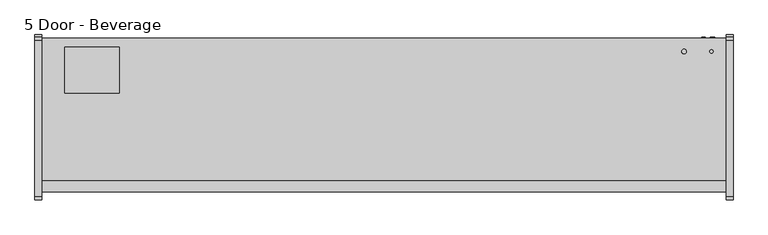
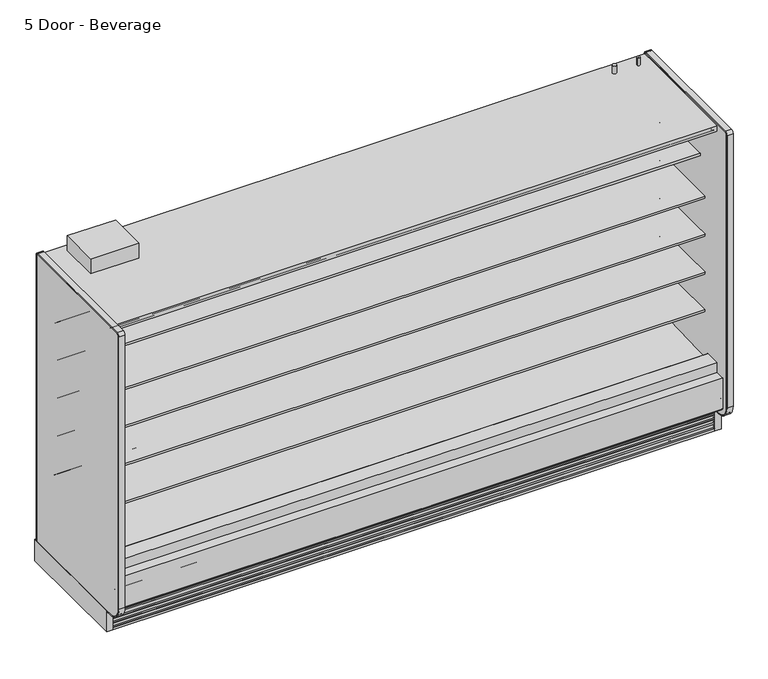
"""IFC4 building model written with IfcOpenShell, lengths in millimetres: proxy geometry, 5 Door - Beverage."""

from ifc_helpers import new_model, si_unit, point, frame, frame_2d, origin, origin_with_axes, place, context, project, spatial, polyline, circle_curve, trimmed, segment, composite_curve, outline, extrude, source, transform, mapped, element, save
from ifc_brep_helpers import plane_surface, revolved_surface, advanced_brep


def proxy_5_door_beverage_fde9d210(model_context):
    return source(origin(), model_context, "Body", "SolidModel", [
        extrude(outline(composite_curve([segment(trimmed(circle_curve(frame_2d((3727.45, -429.4247809)), 9.525), [point((3717.925, -429.4247809))], [point((3736.975, -429.4247809))], False, "CARTESIAN"), True, "CONTINUOUS"), segment(trimmed(circle_curve(frame_2d((3727.45, -429.4247809)), 9.525), [point((3736.975, -429.4247809))], [point((3717.925, -429.4247809))], False, "CARTESIAN"), True, "CONTINUOUS")], self_intersect=False)), frame((0.0, 0.0, 2058.9904091), z_axis=(0.0, 0.0, 1.0), x_axis=(1.0, 0.0, 0.0)), (0.0, 0.0, 1.0), 50.8),
        extrude(outline(composite_curve([segment(trimmed(circle_curve(frame_2d((3575.05, -429.4247809)), 12.7), [point((3562.35, -429.4247809))], [point((3587.75, -429.4247809))], False, "CARTESIAN"), True, "CONTINUOUS"), segment(trimmed(circle_curve(frame_2d((3575.05, -429.4247809)), 12.7), [point((3587.75, -429.4247809))], [point((3562.35, -429.4247809))], False, "CARTESIAN"), True, "CONTINUOUS")], self_intersect=False)), frame((0.0, 0.0, 2058.9904091), z_axis=(0.0, 0.0, 1.0), x_axis=(1.0, 0.0, 0.0)), (0.0, 0.0, 1.0), 50.8),
        extrude(outline(composite_curve([segment(polyline([(-349.0071273, 2056.656972), (-349.0071273, 143.2306), (-355.3571273, 143.2306), (-355.3571273, 2056.656972)]), True, "CONTINUOUS"), segment(trimmed(circle_curve(frame_2d((-365.6251553, 2056.656972)), 10.268028), [point((-355.3571273, 2056.656972))], [point((-365.6251553, 2066.925))], True, "CARTESIAN"), True, "CONTINUOUS"), segment(polyline([(-365.6251553, 2066.925), (-1237.4724391, 2066.925)]), True, "CONTINUOUS"), segment(trimmed(circle_curve(frame_2d((-1237.4724391, 2054.225)), 12.7), [point((-1237.4724391, 2066.925))], [point((-1250.1724391, 2054.225))], True, "CARTESIAN"), True, "CONTINUOUS"), segment(polyline([(-1250.1724391, 2054.225), (-1250.1724391, 232.1306)]), True, "CONTINUOUS"), segment(trimmed(circle_curve(frame_2d((-1161.2724391, 232.1306)), 88.9), [point((-1250.1724391, 232.1306))], [point((-1161.2724391, 143.2306))], True, "CARTESIAN"), True, "CONTINUOUS"), segment(polyline([(-1161.2724391, 143.2306), (-1124.0599223, 143.2306), (-1124.0599223, 136.8806), (-1161.2724391, 136.8806)]), True, "CONTINUOUS"), segment(trimmed(circle_curve(frame_2d((-1161.2724391, 232.1306)), 95.25), [point((-1161.2724391, 136.8806))], [point((-1256.5224391, 232.1306))], False, "CARTESIAN"), True, "CONTINUOUS"), segment(polyline([(-1256.5224391, 232.1306), (-1256.5224391, 2054.225)]), True, "CONTINUOUS"), segment(trimmed(circle_curve(frame_2d((-1237.4724391, 2054.225)), 19.05), [point((-1256.5224391, 2054.225))], [point((-1237.4724391, 2073.275))], False, "CARTESIAN"), True, "CONTINUOUS"), segment(polyline([(-1237.4724391, 2073.275), (-365.6251553, 2073.275)]), True, "CONTINUOUS"), segment(trimmed(circle_curve(frame_2d((-365.6251553, 2056.656972)), 16.618028), [point((-365.6251553, 2073.275))], [point((-349.0071273, 2056.656972))], False, "CARTESIAN"), True, "CONTINUOUS")], self_intersect=False)), frame((3810.0, 0.0, 0.0), z_axis=(1.0, 0.0, 0.0), x_axis=(0.0, 1.0, 0.0)), (0.0, 0.0, 1.0), 38.1),
        extrude(outline(polyline([(3848.1, -336.3071273), (3848.1, -1124.0599223), (3810.0, -1124.0599223), (3810.0, -336.3071273), (3848.1, -336.3071273)])), origin_with_axes(), (0.0, 0.0, 1.0), 143.2306),
        extrude(outline(composite_curve([segment(polyline([(-1250.1724391, 232.1306), (-1250.1724391, 2054.225)]), True, "CONTINUOUS"), segment(trimmed(circle_curve(frame_2d((-1237.4724391, 2054.225)), 12.7), [point((-1250.1724391, 2054.225))], [point((-1237.4724391, 2066.925))], False, "CARTESIAN"), True, "CONTINUOUS"), segment(polyline([(-1237.4724391, 2066.925), (-365.6251553, 2066.925)]), True, "CONTINUOUS"), segment(trimmed(circle_curve(frame_2d((-365.6251553, 2056.656972)), 10.268028), [point((-365.6251553, 2066.925))], [point((-355.3571273, 2056.656972))], False, "CARTESIAN"), True, "CONTINUOUS"), segment(polyline([(-355.3571273, 2056.656972), (-355.3571273, 143.2306), (-1161.2724391, 143.2306)]), True, "CONTINUOUS"), segment(trimmed(circle_curve(frame_2d((-1161.2724391, 232.1306)), 88.9), [point((-1161.2724391, 143.2306))], [point((-1250.1724391, 232.1306))], False, "CARTESIAN"), True, "CONTINUOUS")], self_intersect=False)), frame((3810.0, 0.0, 0.0), z_axis=(1.0, 0.0, 0.0), x_axis=(0.0, 1.0, 0.0)), (0.0, 0.0, 1.0), 38.1),
        extrude(outline(composite_curve([segment(polyline([(-1124.0599223, 136.8806), (-1161.2724391, 136.8806)]), True, "CONTINUOUS"), segment(trimmed(circle_curve(frame_2d((-1161.2724391, 232.1306)), 95.25), [point((-1161.2724391, 136.8806))], [point((-1256.5224391, 232.1306))], False, "CARTESIAN"), True, "CONTINUOUS"), segment(polyline([(-1256.5224391, 232.1306), (-1256.5224391, 2054.225)]), True, "CONTINUOUS"), segment(trimmed(circle_curve(frame_2d((-1237.4724391, 2054.225)), 19.05), [point((-1256.5224391, 2054.225))], [point((-1237.4724391, 2073.275))], False, "CARTESIAN"), True, "CONTINUOUS"), segment(polyline([(-1237.4724391, 2073.275), (-365.6251553, 2073.275)]), True, "CONTINUOUS"), segment(trimmed(circle_curve(frame_2d((-365.6251553, 2056.656972)), 16.618028), [point((-365.6251553, 2073.275))], [point((-349.0071273, 2056.656972))], False, "CARTESIAN"), True, "CONTINUOUS"), segment(polyline([(-349.0071273, 2056.656972), (-349.0071273, 143.2306), (-355.3571273, 143.2306), (-355.3571273, 2056.656972)]), True, "CONTINUOUS"), segment(trimmed(circle_curve(frame_2d((-365.6251553, 2056.656972)), 10.268028), [point((-355.3571273, 2056.656972))], [point((-365.6251553, 2066.925))], True, "CARTESIAN"), True, "CONTINUOUS"), segment(polyline([(-365.6251553, 2066.925), (-1237.4724391, 2066.925)]), True, "CONTINUOUS"), segment(trimmed(circle_curve(frame_2d((-1237.4724391, 2054.225)), 12.7), [point((-1237.4724391, 2066.925))], [point((-1250.1724391, 2054.225))], True, "CARTESIAN"), True, "CONTINUOUS"), segment(polyline([(-1250.1724391, 2054.225), (-1250.1724391, 232.1306)]), True, "CONTINUOUS"), segment(trimmed(circle_curve(frame_2d((-1161.2724391, 232.1306)), 88.9), [point((-1250.1724391, 232.1306))], [point((-1161.2724391, 143.2306))], True, "CARTESIAN"), True, "CONTINUOUS"), segment(polyline([(-1161.2724391, 143.2306), (-1124.0599223, 143.2306), (-1124.0599223, 136.8806)]), True, "CONTINUOUS")], self_intersect=False)), frame((-38.1, 0.0, 0.0), z_axis=(1.0, 0.0, 0.0), x_axis=(0.0, 1.0, 0.0)), (0.0, 0.0, 1.0), 38.1),
        extrude(outline(polyline([(0.0, -336.3071273), (0.0, -1124.0599223), (-38.1, -1124.0599223), (-38.1, -336.3071273), (0.0, -336.3071273)])), origin_with_axes(), (0.0, 0.0, 1.0), 143.2306),
        extrude(outline(composite_curve([segment(polyline([(-1250.1724391, 232.1306), (-1250.1724391, 2054.225)]), True, "CONTINUOUS"), segment(trimmed(circle_curve(frame_2d((-1237.4724391, 2054.225)), 12.7), [point((-1250.1724391, 2054.225))], [point((-1237.4724391, 2066.925))], False, "CARTESIAN"), True, "CONTINUOUS"), segment(polyline([(-1237.4724391, 2066.925), (-365.6251553, 2066.925)]), True, "CONTINUOUS"), segment(trimmed(circle_curve(frame_2d((-365.6251553, 2056.656972)), 10.268028), [point((-365.6251553, 2066.925))], [point((-355.3571273, 2056.656972))], False, "CARTESIAN"), True, "CONTINUOUS"), segment(polyline([(-355.3571273, 2056.656972), (-355.3571273, 143.2306), (-1137.131026, 143.2306), (-1161.2724391, 143.2306)]), True, "CONTINUOUS"), segment(trimmed(circle_curve(frame_2d((-1161.2724391, 232.1306)), 88.9), [point((-1161.2724391, 143.2306))], [point((-1250.1724391, 232.1306))], False, "CARTESIAN"), True, "CONTINUOUS")], self_intersect=False)), frame((-38.1, 0.0, 0.0), z_axis=(1.0, 0.0, 0.0), x_axis=(0.0, 1.0, 0.0)), (0.0, 0.0, 1.0), 38.1),
        extrude(outline(polyline([(0.0, -76.2), (0.0, 0.0), (3810.0, 0.0), (3810.0, -76.2), (0.0, -76.2)])), frame((3810.0, -1079.2958538, 1988.0577862), z_axis=(0.0, 0.09315347017682277, 0.9956517619097633), x_axis=(-1.0, 0.0, 0.0)), (0.0, 0.0, 1.0), 12.7),
        extrude(outline(composite_curve([segment(trimmed(circle_curve(frame_2d((-1205.0506273, 199.8107889)), 6.35), [point((-1201.8764382, 194.3110595))], [point((-1211.4006273, 199.8107889))], False, "CARTESIAN"), True, "CONTINUOUS"), segment(polyline([(-1211.4006273, 199.8107889), (-1211.4006273, 404.6728), (-1147.784197, 404.6728), (-1147.784197, 395.1732), (-1196.1987273, 395.1732), (-1196.1987273, 260.4549459), (-1151.8090876, 223.2076157), (-1201.8764382, 194.3110595)]), True, "CONTINUOUS")], self_intersect=False)), frame((0.0, 0.0, 0.0), z_axis=(1.0, 0.0, 0.0), x_axis=(0.0, 1.0, 0.0)), (0.0, 0.0, 1.0), 3810.0),
        extrude(outline(polyline([(431.8422466, -406.1571273), (431.8422466, -660.1571273), (127.0, -660.1571273), (127.0, -406.1571273), (431.8422466, -406.1571273)])), frame((0.0, 0.0, 2058.9904091), z_axis=(0.0, 0.0, 1.0), x_axis=(1.0, 0.0, 0.0)), (0.0, 0.0, 1.0), 100.0095909),
        advanced_brep(
        [(3810.0, -1124.0599223, 0.0), (3810.0, -1111.0071273, 0.0), (3810.0, -1111.0071273, 189.0201105), (3810.0, -1118.1695038, 194.9418778), (3810.0, -1118.1695038, 167.3928018), (3810.0, -1119.7599344, 165.8023712), (3810.0, -1119.7599344, 146.7523712), (3810.0, -1117.4655682, 147.966845), (3810.0, -1114.0015384, 146.7880867), (3810.0, -1120.0983392, 136.4191003), (3810.0, -1120.6941527, 135.8232868), (3810.0, -1120.6941527, 116.7732868), (3810.0, -1118.3997865, 117.9877605), (3810.0, -1114.9357567, 116.8090023), (3810.0, -1121.0325575, 106.4400158), (3810.0, -1121.628371, 105.8442023), (3810.0, -1121.628371, 86.7942023), (3810.0, -1119.3340048, 88.0086761), (3810.0, -1115.869975, 86.8299178), (3810.0, -1121.9667759, 76.4609313), (3810.0, -1122.5625893, 75.8651179), (3810.0, -1122.5625893, 56.8151179), (3810.0, -1120.2682231, 58.0295916), (3810.0, -1116.8041934, 56.8508334), (3810.0, -1122.9009942, 46.4818469), (3810.0, -1123.4968077, 45.8860334), (3810.0, -1123.4968077, 26.8360334), (3810.0, -1121.2024415, 28.0505071), (3810.0, -1117.7384117, 26.8717489), (3810.0, -1123.8352125, 16.5027624), (3810.0, -1124.0599223, 15.4000228), (0.0, -1124.0599223, 0.0), (0.0, -1124.0599223, 15.4000228), (0.0, -1123.8352125, 16.5027624), (0.0, -1117.7046569, 26.7952908), (0.0, -1121.2024415, 28.0505071), (0.0, -1123.4968077, 26.8360334), (0.0, -1123.4968077, 45.8860334), (0.0, -1122.9009942, 46.4818469), (0.0, -1116.7704385, 56.7743753), (0.0, -1120.2682231, 58.0295916), (0.0, -1122.5625893, 56.8151179), (0.0, -1122.5625893, 75.8651179), (0.0, -1121.9667759, 76.4609313), (0.0, -1115.8362202, 86.7534597), (0.0, -1119.3340048, 88.0086761), (0.0, -1121.628371, 86.7942023), (0.0, -1121.628371, 105.8442023), (0.0, -1121.0325575, 106.4400158), (0.0, -1114.9020019, 116.7325442), (0.0, -1118.3997865, 117.9877605), (0.0, -1120.6941527, 116.7732868), (0.0, -1120.6941527, 135.8232868), (0.0, -1120.0983392, 136.4191003), (0.0, -1113.9677835, 146.7116287), (0.0, -1117.4655682, 147.966845), (0.0, -1119.7599344, 146.7523712), (0.0, -1119.7599344, 165.8023712), (0.0, -1118.1695038, 167.3928018), (0.0, -1118.1695038, 194.9418778), (0.0, -1111.0071273, 189.0201105), (0.0, -1111.0071273, 0.0)],
        [
            (0, 1),
            (1, 2),
            (2, 3),
            (3, 4),
            (4, 5),
            (5, 6),
            (6, 7),
            (7, 8, circle_curve(frame((3810.0, -1116.2892235, 145.7445117), z_axis=(-1.0, 0.0, 0.0), x_axis=(0.0, 1.0, 0.0)), 2.5144685)),
            (8, 9, circle_curve(frame((3810.0, -1120.7858609, 143.8006506), z_axis=(-1.0, 0.0, 0.0), x_axis=(0.0, 1.0, 0.0)), 7.4134993)),
            (9, 10),
            (10, 11),
            (11, 12),
            (12, 13, circle_curve(frame((3810.0, -1117.2234418, 115.7654272), z_axis=(-1.0, 0.0, 0.0), x_axis=(0.0, 1.0, 0.0)), 2.5144685)),
            (13, 14, circle_curve(frame((3810.0, -1121.7200792, 113.8215662), z_axis=(-1.0, 0.0, 0.0), x_axis=(0.0, 1.0, 0.0)), 7.4134993)),
            (14, 15),
            (15, 16),
            (16, 17),
            (17, 18, circle_curve(frame((3810.0, -1118.1576601, 85.7863428), z_axis=(-1.0, 0.0, 0.0), x_axis=(0.0, 1.0, 0.0)), 2.5144685)),
            (18, 19, circle_curve(frame((3810.0, -1122.6542976, 83.8424817), z_axis=(-1.0, 0.0, 0.0), x_axis=(0.0, 1.0, 0.0)), 7.4134993)),
            (19, 20),
            (20, 21),
            (21, 22),
            (22, 23, circle_curve(frame((3810.0, -1119.0918785, 55.8072583), z_axis=(-1.0, 0.0, 0.0), x_axis=(0.0, 1.0, 0.0)), 2.5144685)),
            (23, 24, circle_curve(frame((3810.0, -1123.5885159, 53.8633973), z_axis=(-1.0, 0.0, 0.0), x_axis=(0.0, 1.0, 0.0)), 7.4134993)),
            (24, 25),
            (25, 26),
            (26, 27),
            (27, 28, circle_curve(frame((3810.0, -1120.0260968, 25.8281739), z_axis=(-1.0, 0.0, 0.0), x_axis=(0.0, 1.0, 0.0)), 2.5144685)),
            (28, 29, circle_curve(frame((3810.0, -1124.5227342, 23.8843128), z_axis=(-1.0, 0.0, 0.0), x_axis=(0.0, 1.0, 0.0)), 7.4134993)),
            (29, 30),
            (30, 0),
            (31, 32),
            (32, 33),
            (33, 34, circle_curve(frame((0.0, -1124.5227342, 23.8843128), z_axis=(1.0, 0.0, 0.0), x_axis=(0.0, 1.0, 0.0)), 7.4134993)),
            (34, 35, circle_curve(frame((0.0, -1120.0260968, 25.8281739), z_axis=(1.0, 0.0, 0.0), x_axis=(0.0, 1.0, 0.0)), 2.5144685)),
            (35, 36),
            (36, 37),
            (37, 38),
            (38, 39, circle_curve(frame((0.0, -1123.5885159, 53.8633973), z_axis=(1.0, 0.0, 0.0), x_axis=(0.0, 1.0, 0.0)), 7.4134993)),
            (39, 40, circle_curve(frame((0.0, -1119.0918785, 55.8072583), z_axis=(1.0, 0.0, 0.0), x_axis=(0.0, 1.0, 0.0)), 2.5144685)),
            (40, 41),
            (41, 42),
            (42, 43),
            (43, 44, circle_curve(frame((0.0, -1122.6542976, 83.8424817), z_axis=(1.0, 0.0, 0.0), x_axis=(0.0, 1.0, 0.0)), 7.4134993)),
            (44, 45, circle_curve(frame((0.0, -1118.1576601, 85.7863428), z_axis=(1.0, 0.0, 0.0), x_axis=(0.0, 1.0, 0.0)), 2.5144685)),
            (45, 46),
            (46, 47),
            (47, 48),
            (48, 49, circle_curve(frame((0.0, -1121.7200792, 113.8215662), z_axis=(1.0, 0.0, 0.0), x_axis=(0.0, 1.0, 0.0)), 7.4134993)),
            (49, 50, circle_curve(frame((0.0, -1117.2234418, 115.7654272), z_axis=(1.0, 0.0, 0.0), x_axis=(0.0, 1.0, 0.0)), 2.5144685)),
            (50, 51),
            (51, 52),
            (52, 53),
            (53, 54, circle_curve(frame((0.0, -1120.7858609, 143.8006506), z_axis=(1.0, 0.0, 0.0), x_axis=(0.0, 1.0, 0.0)), 7.4134993)),
            (54, 55, circle_curve(frame((0.0, -1116.2892235, 145.7445117), z_axis=(1.0, 0.0, 0.0), x_axis=(0.0, 1.0, 0.0)), 2.5144685)),
            (55, 56),
            (56, 57),
            (57, 58),
            (58, 59),
            (59, 60),
            (60, 61),
            (61, 31),
            (0, 31),
            (61, 1),
            (60, 2),
            (59, 3),
            (58, 4),
            (57, 5),
            (56, 6),
            (55, 7),
            (54, 8),
            (53, 9),
            (52, 10),
            (51, 11),
            (50, 12),
            (49, 13),
            (48, 14),
            (47, 15),
            (46, 16),
            (45, 17),
            (44, 18),
            (43, 19),
            (42, 20),
            (41, 21),
            (40, 22),
            (39, 23),
            (38, 24),
            (37, 25),
            (36, 26),
            (35, 27),
            (34, 28),
            (33, 29),
            (30, 32),
        ],
        [
            plane_surface(frame((3810.0, -1111.0071273, 0.0), z_axis=(1.0, 0.0, 0.0), x_axis=(0.0, 1.0, 0.0))),
            plane_surface(frame((0.0, -1111.0071273, 0.0), z_axis=(-1.0, 0.0, 0.0), x_axis=(0.0, -1.0, 0.0))),
            plane_surface(frame((3810.0, -1124.0599223, 0.0), z_axis=(0.0, 0.0, -1.0), x_axis=(-1.0, 0.0, 0.0))),
            plane_surface(frame((3810.0, -1111.0071273, 0.0), z_axis=(0.0, 1.0, 0.0), x_axis=(-1.0, 0.0, 0.0))),
            plane_surface(frame((3810.0, -1111.0071273, 189.0201105), z_axis=(0.0, 0.6372025590230975, 0.7706963726231076), x_axis=(-1.0, 0.0, 0.0))),
            plane_surface(frame((3810.0, -1118.1695038, 194.9418778), z_axis=(0.0, -1.0, 0.0), x_axis=(-1.0, 0.0, 0.0))),
            plane_surface(frame((3810.0, -1118.1695038, 167.3928018), z_axis=(0.0, -0.7071067811865249, 0.7071067811865701), x_axis=(-1.0, 0.0, 0.0))),
            plane_surface(frame((3810.0, -1119.7599344, 165.8023712), z_axis=(0.0, -1.0, 0.0), x_axis=(-1.0, 0.0, 0.0))),
            plane_surface(frame((3810.0, -1119.7599344, 146.7523712), z_axis=(0.0, 0.46783034066877954, -0.8838182914772322), x_axis=(-1.0, 0.0, 0.0))),
            revolved_surface(polyline([(0.0, -1113.774755, 145.7445117), (3810.0, -1113.774755, 145.7445117)]), (0.0, -1116.2892235, 145.7445117), (-1.0, 0.0, 0.0)),
            revolved_surface(polyline([(0.0, -1113.3723616, 143.8006506), (3810.0, -1113.3723616, 143.8006506)]), (0.0, -1120.7858609, 143.8006506), (-1.0, 0.0, 0.0)),
            plane_surface(frame((3810.0, -1120.0983392, 136.4191003), z_axis=(0.0, -0.7071067811865174, 0.7071067811865777), x_axis=(-1.0, 0.0, 0.0))),
            plane_surface(frame((3810.0, -1120.6941527, 135.8232868), z_axis=(0.0, -1.0, 0.0), x_axis=(-1.0, 0.0, 0.0))),
            plane_surface(frame((3810.0, -1120.6941527, 116.7732868), z_axis=(0.0, 0.46783034066877444, -0.8838182914772349), x_axis=(-1.0, 0.0, 0.0))),
            revolved_surface(polyline([(0.0, -1114.7089733, 115.7654272), (3810.0, -1114.7089733, 115.7654272)]), (0.0, -1117.2234418, 115.7654272), (-1.0, 0.0, 0.0)),
            revolved_surface(polyline([(0.0, -1114.3065799, 113.8215662), (3810.0, -1114.3065799, 113.8215662)]), (0.0, -1121.7200792, 113.8215662), (-1.0, 0.0, 0.0)),
            plane_surface(frame((3810.0, -1121.0325575, 106.4400158), z_axis=(0.0, -0.7071067811865275, 0.7071067811865677), x_axis=(-1.0, 0.0, 0.0))),
            plane_surface(frame((3810.0, -1121.628371, 105.8442023), z_axis=(0.0, -1.0, 0.0), x_axis=(-1.0, 0.0, 0.0))),
            plane_surface(frame((3810.0, -1121.628371, 86.7942023), z_axis=(0.0, 0.46783034066877954, -0.8838182914772322), x_axis=(-1.0, 0.0, 0.0))),
            revolved_surface(polyline([(0.0, -1115.6431916, 85.7863428), (3810.0, -1115.6431916, 85.7863428)]), (0.0, -1118.1576601, 85.7863428), (-1.0, 0.0, 0.0)),
            revolved_surface(polyline([(0.0, -1115.2407983, 83.8424817), (3810.0, -1115.2407983, 83.8424817)]), (0.0, -1122.6542976, 83.8424817), (-1.0, 0.0, 0.0)),
            plane_surface(frame((3810.0, -1121.9667759, 76.4609313), z_axis=(0.0, -0.7071067811865225, 0.7071067811865727), x_axis=(-1.0, 0.0, 0.0))),
            plane_surface(frame((3810.0, -1122.5625893, 75.8651179), z_axis=(0.0, -1.0, 0.0), x_axis=(-1.0, 0.0, 0.0))),
            plane_surface(frame((3810.0, -1122.5625893, 56.8151179), z_axis=(0.0, 0.46783034066877954, -0.8838182914772322), x_axis=(-1.0, 0.0, 0.0))),
            revolved_surface(polyline([(0.0, -1116.5774099999999, 55.8072583), (3810.0, -1116.5774099999999, 55.8072583)]), (0.0, -1119.0918785, 55.8072583), (-1.0, 0.0, 0.0)),
            revolved_surface(polyline([(0.0, -1116.1750166, 53.8633973), (3810.0, -1116.1750166, 53.8633973)]), (0.0, -1123.5885159, 53.8633973), (-1.0, 0.0, 0.0)),
            plane_surface(frame((3810.0, -1122.9009942, 46.4818469), z_axis=(0.0, -0.7071067811865275, 0.7071067811865677), x_axis=(-1.0, 0.0, 0.0))),
            plane_surface(frame((3810.0, -1123.4968077, 45.8860334), z_axis=(0.0, -1.0, 0.0), x_axis=(-1.0, 0.0, 0.0))),
            plane_surface(frame((3810.0, -1123.4968077, 26.8360334), z_axis=(0.0, 0.46783034066877954, -0.8838182914772322), x_axis=(-1.0, 0.0, 0.0))),
            revolved_surface(polyline([(0.0, -1117.5116283, 25.8281739), (3810.0, -1117.5116283, 25.8281739)]), (0.0, -1120.0260968, 25.8281739), (-1.0, 0.0, 0.0)),
            revolved_surface(polyline([(0.0, -1117.1092349, 23.8843128), (3810.0, -1117.1092349, 23.8843128)]), (0.0, -1124.5227342, 23.8843128), (-1.0, 0.0, 0.0)),
            plane_surface(frame((3810.0, -1124.0599223, 15.4000228), z_axis=(0.0, -1.0, 0.0), x_axis=(-1.0, 0.0, 0.0))),
            plane_surface(frame((3810.0, -1123.8352125, 16.5027624), z_axis=(0.0, -0.9798630437033696, 0.19967076797660804), x_axis=(-1.0, 0.0, 0.0))),
        ],
        [
            (0, [[1, 2, 3, 4, 5, 6, 7, 8, 9, 10, 11, 12, 13, 14, 15, 16, 17, 18, 19, 20, 21, 22, 23, 24, 25, 26, 27, 28, 29, 30, 31]]),
            (1, [[32, 33, 34, 35, 36, 37, 38, 39, 40, 41, 42, 43, 44, 45, 46, 47, 48, 49, 50, 51, 52, 53, 54, 55, 56, 57, 58, 59, 60, 61, 62]]),
            (2, [[-1, 63, -62, 64]]),
            (3, [[-2, -64, -61, 65]]),
            (4, [[-3, -65, -60, 66]]),
            (5, [[-4, -66, -59, 67]]),
            (6, [[-5, -67, -58, 68]]),
            (7, [[-6, -68, -57, 69]]),
            (8, [[-7, -69, -56, 70]]),
            (9, [[-8, -70, -55, 71]]),
            (10, [[-9, -71, -54, 72]]),
            (11, [[-10, -72, -53, 73]]),
            (12, [[-11, -73, -52, 74]]),
            (13, [[-12, -74, -51, 75]]),
            (14, [[-13, -75, -50, 76]]),
            (15, [[-14, -76, -49, 77]]),
            (16, [[-15, -77, -48, 78]]),
            (17, [[-16, -78, -47, 79]]),
            (18, [[-17, -79, -46, 80]]),
            (19, [[-18, -80, -45, 81]]),
            (20, [[-19, -81, -44, 82]]),
            (21, [[-20, -82, -43, 83]]),
            (22, [[-21, -83, -42, 84]]),
            (23, [[-22, -84, -41, 85]]),
            (24, [[-23, -85, -40, 86]]),
            (25, [[-24, -86, -39, 87]]),
            (26, [[-25, -87, -38, 88]]),
            (27, [[-26, -88, -37, 89]]),
            (28, [[-27, -89, -36, 90]]),
            (29, [[-28, -90, -35, 91]]),
            (30, [[-29, -91, -34, 92]]),
            (31, [[-31, 93, -32, -63]]),
            (32, [[-30, -92, -33, -93]]),
        ],
    ),
        extrude(outline(composite_curve([segment(polyline([(-457.027044, 1659.5875245), (-468.1349362, 1659.3712074)]), True, "CONTINUOUS"), segment(trimmed(circle_curve(frame_2d((-468.6228819, 1684.4272352)), 25.0607786), [point((-468.1349362, 1659.3712074))], [point((-484.5302045, 1665.062326))], False, "CARTESIAN"), True, "CONTINUOUS"), segment(polyline([(-484.5302045, 1665.062326), (-522.7519051, 1696.1455946)]), True, "CONTINUOUS"), segment(trimmed(circle_curve(frame_2d((-562.8163782, 1646.8801098)), 63.5), [point((-522.7519051, 1696.1455946))], [point((-555.8383697, 1709.9955389))], True, "CARTESIAN"), True, "CONTINUOUS"), segment(polyline([(-555.8383697, 1709.9955389), (-850.9210421, 1742.6197236), (-850.9210421, 1746.90405), (-965.027044, 1746.90405), (-965.027044, 1760.3978), (-457.027044, 1760.3978), (-457.027044, 1659.5875245)]), True, "CONTINUOUS")], self_intersect=False)), frame((0.0, 0.0, 0.0), z_axis=(1.0, 0.0, 0.0), x_axis=(0.0, 1.0, 0.0)), (0.0, 0.0, 1.0), 3810.0),
        extrude(outline(composite_curve([segment(polyline([(-457.027044, 643.5875245), (-468.1349362, 643.3712074)]), True, "CONTINUOUS"), segment(trimmed(circle_curve(frame_2d((-468.6228819, 668.4272352)), 25.0607786), [point((-468.1349362, 643.3712074))], [point((-484.5302045, 649.062326))], False, "CARTESIAN"), True, "CONTINUOUS"), segment(polyline([(-484.5302045, 649.062326), (-522.7519051, 680.1455946)]), True, "CONTINUOUS"), segment(trimmed(circle_curve(frame_2d((-562.8163782, 630.8801098)), 63.5), [point((-522.7519051, 680.1455946))], [point((-555.9633688, 694.0092335))], True, "CARTESIAN"), True, "CONTINUOUS"), segment(polyline([(-555.9633688, 694.0092335), (-901.7210421, 726.6197236), (-901.7210421, 730.90405), (-1015.827044, 730.90405), (-1015.827044, 744.3978), (-457.027044, 744.3978), (-457.027044, 643.5875245)]), True, "CONTINUOUS")], self_intersect=False)), frame((0.0, 0.0, 0.0), z_axis=(1.0, 0.0, 0.0), x_axis=(0.0, 1.0, 0.0)), (0.0, 0.0, 1.0), 3810.0),
        extrude(outline(composite_curve([segment(polyline([(-457.027044, 897.5875245), (-468.1349362, 897.3712074)]), True, "CONTINUOUS"), segment(trimmed(circle_curve(frame_2d((-468.6228819, 922.4272352)), 25.0607786), [point((-468.1349362, 897.3712074))], [point((-484.5302045, 903.062326))], False, "CARTESIAN"), True, "CONTINUOUS"), segment(polyline([(-484.5302045, 903.062326), (-522.7519051, 934.1455946)]), True, "CONTINUOUS"), segment(trimmed(circle_curve(frame_2d((-562.8163782, 884.8801098)), 63.5), [point((-522.7519051, 934.1455946))], [point((-555.9633688, 948.0092335))], True, "CARTESIAN"), True, "CONTINUOUS"), segment(polyline([(-555.9633688, 948.0092335), (-901.7210421, 980.6197236), (-901.7210421, 984.90405), (-1015.827044, 984.90405), (-1015.827044, 998.3978), (-457.027044, 998.3978), (-457.027044, 897.5875245)]), True, "CONTINUOUS")], self_intersect=False)), frame((0.0, 0.0, 0.0), z_axis=(1.0, 0.0, 0.0), x_axis=(0.0, 1.0, 0.0)), (0.0, 0.0, 1.0), 3810.0),
        extrude(outline(composite_curve([segment(polyline([(-457.027044, 1151.5875245), (-468.1349362, 1151.3712074)]), True, "CONTINUOUS"), segment(trimmed(circle_curve(frame_2d((-468.6228819, 1176.4272352)), 25.0607786), [point((-468.1349362, 1151.3712074))], [point((-484.5302045, 1157.062326))], False, "CARTESIAN"), True, "CONTINUOUS"), segment(polyline([(-484.5302045, 1157.062326), (-522.7519051, 1188.1455946)]), True, "CONTINUOUS"), segment(trimmed(circle_curve(frame_2d((-562.8163782, 1138.8801098)), 63.5), [point((-522.7519051, 1188.1455946))], [point((-555.9633688, 1202.0092335))], True, "CARTESIAN"), True, "CONTINUOUS"), segment(polyline([(-555.9633688, 1202.0092335), (-901.7210421, 1234.6197236), (-901.7210421, 1238.90405), (-1015.827044, 1238.90405), (-1015.827044, 1252.3978), (-457.027044, 1252.3978), (-457.027044, 1151.5875245)]), True, "CONTINUOUS")], self_intersect=False)), frame((0.0, 0.0, 0.0), z_axis=(1.0, 0.0, 0.0), x_axis=(0.0, 1.0, 0.0)), (0.0, 0.0, 1.0), 3810.0),
        extrude(outline(composite_curve([segment(polyline([(-457.027044, 1405.5875245), (-468.1349362, 1405.3712074)]), True, "CONTINUOUS"), segment(trimmed(circle_curve(frame_2d((-468.6228819, 1430.4272352)), 25.0607786), [point((-468.1349362, 1405.3712074))], [point((-484.5302045, 1411.062326))], False, "CARTESIAN"), True, "CONTINUOUS"), segment(polyline([(-484.5302045, 1411.062326), (-522.7519051, 1442.1455946)]), True, "CONTINUOUS"), segment(trimmed(circle_curve(frame_2d((-562.8163782, 1392.8801098)), 63.5), [point((-522.7519051, 1442.1455946))], [point((-555.9633688, 1456.0092335))], True, "CARTESIAN"), True, "CONTINUOUS"), segment(polyline([(-555.9633688, 1456.0092335), (-901.7210421, 1488.6197236), (-901.7210421, 1492.90405), (-1015.827044, 1492.90405), (-1015.827044, 1506.3978), (-457.027044, 1506.3978), (-457.027044, 1405.5875245)]), True, "CONTINUOUS")], self_intersect=False)), frame((0.0, 0.0, 0.0), z_axis=(1.0, 0.0, 0.0), x_axis=(0.0, 1.0, 0.0)), (0.0, 0.0, 1.0), 3810.0),
        advanced_brep(
        [(3810.0, -355.3571273, 130.5306), (3810.0, -355.3571273, 2057.4), (3810.0, -1147.784197, 2057.4), (3810.0, -1147.784197, 2020.2201079), (3810.0, -405.5224764, 2020.2201079), (3810.0, -405.5224764, 220.2495555), (3810.0, -866.2322128, 192.9404113), (3810.0, -906.3154388, 159.4459345), (3810.0, -970.8177493, 157.1934642), (3810.0, -1016.169944, 190.0023738), (3810.0, -1033.5218065, 189.3964335), (3810.0, -1147.784197, 285.2739632), (3810.0, -1147.784197, 395.1732), (3810.0, -1196.1987273, 395.1732), (3810.0, -1196.1987273, 260.4549459), (3810.0, -1041.3609213, 130.5306), (0.0, -355.3571273, 130.5306), (0.0, -1041.3609213, 130.5306), (0.0, -1196.1987273, 260.4549459), (0.0, -1196.1987273, 395.1732), (0.0, -1147.784197, 395.1732), (0.0, -1147.784197, 285.2739632), (0.0, -1033.5218065, 189.3964335), (0.0, -1016.169944, 190.0023738), (0.0, -970.8177493, 157.1934642), (0.0, -906.3154388, 159.4459345), (0.0, -866.2322128, 192.9404113), (0.0, -405.5224764, 220.2495555), (0.0, -405.5224764, 2020.2201079), (0.0, -1147.784197, 2020.2201079), (0.0, -1147.784197, 2057.4), (0.0, -355.3571273, 2057.4), (3708.4, -355.3571273, 303.2125), (3708.4, -355.3571273, 404.8125), (3708.4, -390.6253644, 303.2125), (3708.4, -390.6253644, 404.8125)],
        [
            (0, 1),
            (1, 2),
            (2, 3),
            (3, 4),
            (4, 5),
            (5, 6),
            (6, 7),
            (7, 8),
            (8, 9),
            (9, 10),
            (10, 11),
            (11, 12),
            (12, 13),
            (13, 14),
            (14, 15),
            (15, 0),
            (16, 17),
            (17, 18),
            (18, 19),
            (19, 20),
            (20, 21),
            (21, 22),
            (22, 23),
            (23, 24),
            (24, 25),
            (25, 26),
            (26, 27),
            (27, 28),
            (28, 29),
            (29, 30),
            (30, 31),
            (31, 16),
            (0, 16),
            (31, 1),
            (32, 33, circle_curve(frame((3708.4, -355.3571273, 354.0125), z_axis=(0.0, -1.0, 0.0), x_axis=(0.0, 0.0, 1.0)), 50.8)),
            (33, 32, circle_curve(frame((3708.4, -355.3571273, 354.0125), z_axis=(0.0, -1.0, 0.0), x_axis=(0.0, 0.0, 1.0)), 50.8)),
            (30, 2),
            (29, 3),
            (28, 4),
            (27, 5),
            (15, 17),
            (34, 35, circle_curve(frame((3708.4, -390.6253644, 354.0125), z_axis=(0.0, 1.0, 0.0), x_axis=(0.0, 0.0, 1.0)), 50.8)),
            (35, 34, circle_curve(frame((3708.4, -390.6253644, 354.0125), z_axis=(0.0, 1.0, 0.0), x_axis=(0.0, 0.0, 1.0)), 50.8)),
            (35, 33),
            (32, 34),
            (6, 26),
            (25, 7),
            (24, 8),
            (23, 9),
            (22, 10),
            (21, 11),
            (20, 12),
            (19, 13),
            (18, 14),
        ],
        [
            plane_surface(frame((3810.0, -355.3571273, 2046.3567079), z_axis=(1.0, 0.0, 0.0), x_axis=(0.0, 0.0, 1.0))),
            plane_surface(frame((0.0, -355.3571273, 2046.3567079), z_axis=(-1.0, 0.0, 0.0), x_axis=(0.0, 0.0, -1.0))),
            plane_surface(frame((3810.0, -355.3571273, 130.5306), z_axis=(0.0, 1.0, 0.0), x_axis=(-1.0, 0.0, 0.0))),
            plane_surface(frame((3810.0, -355.3571273, 2057.4), z_axis=(0.0, 0.0, 1.0), x_axis=(-1.0, 0.0, 0.0))),
            plane_surface(frame((3810.0, -1147.784197, 2057.4), z_axis=(0.0, -1.0, 0.0), x_axis=(-1.0, 0.0, 0.0))),
            plane_surface(frame((3810.0, -1147.784197, 2020.2201079), z_axis=(0.0, 0.0, -1.0), x_axis=(-1.0, 0.0, 0.0))),
            plane_surface(frame((3810.0, -405.5224764, 2020.2201079), z_axis=(0.0, -1.0, 0.0), x_axis=(-1.0, 0.0, 0.0))),
            plane_surface(frame((3810.0, -1041.3609213, 130.5306), z_axis=(0.0, 0.0, -1.0), x_axis=(-1.0, 0.0, 0.0))),
            plane_surface(frame((3708.4, -390.6253644, 404.8125), z_axis=(0.0, 1.0, 0.0), x_axis=(-1.0, 0.0, 0.0))),
            revolved_surface(polyline([(3708.4, -390.6253644, 404.8125), (3708.4, -355.3571273, 404.8125)]), (3708.4, -355.3571273, 354.0125), (0.0, -1.0, 0.0)),
            plane_surface(frame((3810.0, -866.2322128, 192.9404113), z_axis=(0.0, -0.6412208566386132, 0.7673563794037573), x_axis=(-1.0, 0.0, 0.0))),
            plane_surface(frame((3810.0, -906.3154388, 159.4459345), z_axis=(0.0, -0.03489949670245158, 0.9993908270190974), x_axis=(-1.0, 0.0, 0.0))),
            plane_surface(frame((3810.0, -970.8177493, 157.1934642), z_axis=(0.0, 0.5861307997256702, 0.8102164436821474), x_axis=(-1.0, 0.0, 0.0))),
            plane_surface(frame((3810.0, -1016.169944, 190.0023738), z_axis=(0.0, -0.034899496702486744, 0.9993908270190962), x_axis=(-1.0, 0.0, 0.0))),
            plane_surface(frame((3810.0, -405.5224764, 220.2495555), z_axis=(0.0, -0.059172381954877985, 0.9982477794684975), x_axis=(-1.0, 0.0, 0.0))),
            plane_surface(frame((3810.0, -1033.5218065, 189.3964335), z_axis=(0.0, 0.6427876096848525, 0.7660444431203935), x_axis=(-1.0, 0.0, 0.0))),
            plane_surface(frame((3810.0, -1147.784197, 285.2739632), z_axis=(0.0, 1.0, 0.0), x_axis=(-1.0, 0.0, 0.0))),
            plane_surface(frame((3810.0, -1147.784197, 395.1732), z_axis=(0.0, 0.0, 1.0), x_axis=(-1.0, 0.0, 0.0))),
            plane_surface(frame((3810.0, -1196.1987273, 395.1732), z_axis=(0.0, -1.0, 0.0), x_axis=(-1.0, 0.0, 0.0))),
            plane_surface(frame((3810.0, -1196.1987273, 260.4549459), z_axis=(0.0, -0.6427876096877204, -0.766044443117987), x_axis=(-1.0, 0.0, 0.0))),
        ],
        [
            (0, [[1, 2, 3, 4, 5, 6, 7, 8, 9, 10, 11, 12, 13, 14, 15, 16]]),
            (1, [[17, 18, 19, 20, 21, 22, 23, 24, 25, 26, 27, 28, 29, 30, 31, 32]]),
            (2, [[-1, 33, -32, 34], [35, 36]]),
            (3, [[-2, -34, -31, 37]]),
            (4, [[-3, -37, -30, 38]]),
            (5, [[-4, -38, -29, 39]]),
            (6, [[-5, -39, -28, 40]]),
            (7, [[-16, 41, -17, -33]]),
            (8, [[42, 43]]),
            (9, [[-43, 44, -35, 45]]),
            (9, [[-42, -45, -36, -44]]),
            (10, [[-7, 46, -26, 47]]),
            (11, [[-8, -47, -25, 48]]),
            (12, [[-9, -48, -24, 49]]),
            (13, [[-10, -49, -23, 50]]),
            (14, [[-6, -40, -27, -46]]),
            (15, [[-11, -50, -22, 51]]),
            (16, [[-12, -51, -21, 52]]),
            (17, [[-13, -52, -20, 53]]),
            (18, [[-14, -53, -19, 54]]),
            (19, [[-15, -54, -18, -41]]),
        ],
    ),
        extrude(outline(composite_curve([segment(polyline([(-457.027044, 445.7919218), (-405.5224764, 445.7919218), (-405.5224764, 220.2495555), (-866.2322128, 192.9404113), (-906.3154388, 159.4459345), (-970.8177493, 157.1934642), (-1016.169944, 190.0023738), (-1033.5218065, 189.3964335), (-1147.784197, 285.2739632), (-1147.784197, 471.3478), (-1049.6661273, 471.3478)]), True, "CONTINUOUS"), segment(trimmed(circle_curve(frame_2d((-1049.6661273, 469.2904)), 2.0574), [point((-1049.6661273, 471.3478))], [point((-1047.6087273, 469.2904))], False, "CARTESIAN"), True, "CONTINUOUS"), segment(polyline([(-1047.6087273, 469.2904), (-1047.6087273, 423.9708554), (-457.027044, 445.7919218)]), True, "CONTINUOUS")], self_intersect=False)), frame((0.0, 0.0, 0.0), z_axis=(1.0, 0.0, 0.0), x_axis=(0.0, 1.0, 0.0)), (0.0, 0.0, 1.0), 3810.0),
        extrude(outline(composite_curve([segment(polyline([(-1001.0821412, 1994.8201079), (-1001.0544494, 1996.4629758), (-1080.2451873, 2003.8720844), (-1080.2451873, 1993.3723079)]), True, "CONTINUOUS"), segment(trimmed(circle_curve(frame_2d((-1082.7851873, 1993.3723079)), 2.54), [point((-1080.2451873, 1993.3723079))], [point((-1082.7851873, 1990.8323079))], False, "CARTESIAN"), True, "CONTINUOUS"), segment(polyline([(-1082.7851873, 1990.8323079), (-1092.0053873, 1990.8323079)]), True, "CONTINUOUS"), segment(trimmed(circle_curve(frame_2d((-1092.0053873, 1993.3723079)), 2.54), [point((-1092.0053873, 1990.8323079))], [point((-1094.5453873, 1993.3723079))], False, "CARTESIAN"), True, "CONTINUOUS"), segment(polyline([(-1094.5453873, 1993.3723079), (-1094.5453873, 2001.1923066)]), True, "CONTINUOUS"), segment(trimmed(circle_curve(frame_2d((-1097.0853873, 2001.1923066)), 2.54), [point((-1094.5453873, 2001.1923066))], [point((-1097.0853873, 2003.7323066))], True, "CARTESIAN"), True, "CONTINUOUS"), segment(polyline([(-1097.0853873, 2003.7323066), (-1111.0553873, 2003.7323066)]), True, "CONTINUOUS"), segment(trimmed(circle_curve(frame_2d((-1111.0553873, 2006.2723066)), 2.54), [point((-1111.0553873, 2003.7323066))], [point((-1113.5953873, 2006.2723066))], False, "CARTESIAN"), True, "CONTINUOUS"), segment(polyline([(-1113.5953873, 2006.2723066), (-1113.5953873, 2007.5201079), (-1113.5953873, 2020.2201079), (-405.5224764, 2020.2201079), (-405.5224764, 445.7919218), (-457.027044, 445.7919218), (-457.027044, 1994.8201079), (-1001.0821412, 1994.8201079)]), True, "CONTINUOUS")], self_intersect=False)), frame((0.0, 0.0, 0.0), z_axis=(1.0, 0.0, 0.0), x_axis=(0.0, 1.0, 0.0)), (0.0, 0.0, 1.0), 3810.0),
        extrude(outline(polyline([(457.2, -1050.6821273), (457.2, -1114.594384), (254.0, -1114.594384), (254.0, -1050.6821273), (457.2, -1050.6821273)])), frame((0.0, 0.0, 44.45), z_axis=(0.0, 0.0, 1.0), x_axis=(1.0, 0.0, 0.0)), (0.0, 0.0, 1.0), 6.35),
        advanced_brep(
        [(3810.0, -1111.0071273, 188.9707058), (3810.0, -1111.0071273, 0.0), (3810.0, -964.9571273, 0.0), (3810.0, -964.9571273, 130.5306), (3810.0, -1041.3609213, 130.5306), (0.0, -1111.0071273, 188.9707058), (0.0, -1041.3609213, 130.5306), (0.0, -964.9571273, 130.5306), (0.0, -964.9571273, 0.0), (0.0, -1111.0071273, 0.0), (245.6409893, -1111.0071273, 0.0), (245.6409893, -1111.0071273, 50.8), (466.3154811, -1111.0071273, 50.8), (466.3154811, -1111.0071273, 0.0), (466.3154811, -1045.2097182, 0.0), (245.6409893, -1045.2097182, 0.0), (1859.3197047, -964.9571273, 0.0), (1950.6802953, -964.9571273, 0.0), (3542.2446396, -964.9571273, 0.0), (3636.4303604, -964.9571273, 0.0), (3636.4303604, -964.9571273, 127.0), (3542.2446396, -964.9571273, 127.0), (1950.6802953, -964.9571273, 127.0), (1859.3197047, -964.9571273, 127.0), (466.3154811, -1045.2097182, 50.8), (245.6409893, -1045.2097182, 50.8)],
        [
            (0, 1),
            (1, 2),
            (2, 3),
            (3, 4),
            (4, 0),
            (5, 6),
            (6, 7),
            (7, 8),
            (8, 9),
            (9, 5),
            (0, 5),
            (9, 10),
            (10, 11),
            (11, 12),
            (12, 13),
            (13, 1),
            (13, 14),
            (14, 15),
            (15, 10),
            (8, 16),
            (16, 17, circle_curve(frame((1905.0, -942.7321273, 0.0), z_axis=(0.0, 0.0, 1.0), x_axis=(1.0, 0.0, 0.0)), 50.8)),
            (17, 18),
            (18, 19, circle_curve(frame((3589.3375, -945.9071273, 0.0), z_axis=(0.0, 0.0, 1.0), x_axis=(1.0, 0.0, 0.0)), 50.8)),
            (19, 2),
            (19, 20),
            (20, 21),
            (21, 18),
            (17, 22),
            (22, 23),
            (23, 16),
            (7, 3),
            (6, 4),
            (24, 14),
            (12, 24),
            (15, 25),
            (25, 11),
            (24, 25),
            (22, 23, circle_curve(frame((1905.0, -942.7321273, 127.0), z_axis=(0.0, 0.0, -1.0), x_axis=(1.0, 0.0, 0.0)), 50.8)),
            (20, 21, circle_curve(frame((3589.3375, -945.9071273, 127.0), z_axis=(0.0, 0.0, -1.0), x_axis=(1.0, 0.0, 0.0)), 50.8)),
        ],
        [
            plane_surface(frame((3810.0, -1111.0071273, 0.0), z_axis=(1.0, 0.0, 0.0), x_axis=(0.0, 0.0, -1.0))),
            plane_surface(frame((0.0, -1111.0071273, 0.0), z_axis=(-1.0, 0.0, 0.0), x_axis=(0.0, 0.0, 1.0))),
            plane_surface(frame((3810.0, -1111.0071273, 188.9707058), z_axis=(0.0, -1.0, 0.0), x_axis=(-1.0, 0.0, 0.0))),
            plane_surface(frame((3810.0, -1111.0071273, 0.0), z_axis=(0.0, 0.0, -1.0), x_axis=(-1.0, 0.0, 0.0))),
            plane_surface(frame((3810.0, -964.9571273, 0.0), z_axis=(0.0, 1.0, 0.0), x_axis=(-1.0, 0.0, 0.0))),
            plane_surface(frame((3810.0, -964.9571273, 130.5306), z_axis=(0.0, 0.0, 1.0), x_axis=(-1.0, 0.0, 0.0))),
            plane_surface(frame((3810.0, -1041.3609213, 130.5306), z_axis=(0.0, 0.6427876096877104, 0.7660444431179954), x_axis=(-1.0, 0.0, 0.0))),
            plane_surface(frame((466.3154811, -1045.2097182, 0.0), z_axis=(-1.0, 0.0, 0.0), x_axis=(0.0, 1.0, 0.0))),
            plane_surface(frame((245.6409893, -1045.2097182, 0.0), z_axis=(1.0, 0.0, 0.0), x_axis=(0.0, -1.0, 0.0))),
            plane_surface(frame((466.3154811, -1045.2097182, 0.0), z_axis=(0.0, -1.0, 0.0), x_axis=(-1.0, 0.0, 0.0))),
            plane_surface(frame((466.3154811, -1045.2097182, 50.8), z_axis=(0.0, 0.0, -1.0), x_axis=(-1.0, 0.0, 0.0))),
            plane_surface(frame((1955.8, -942.7321273, 127.0), z_axis=(0.0, 0.0, -1.0), x_axis=(0.0, 1.0, 0.0))),
            revolved_surface(polyline([(1955.8, -942.7321273, 127.0), (1955.8, -942.7321273, 0.0)]), (1905.0, -942.7321273, 0.0), (0.0, 0.0, 1.0)),
            plane_surface(frame((3640.1375, -945.9071273, 127.0), z_axis=(0.0, 0.0, -1.0), x_axis=(0.0, 1.0, 0.0))),
            revolved_surface(polyline([(3640.1375000000003, -945.9071273, 127.0), (3640.1375000000003, -945.9071273, 0.0)]), (3589.3375, -945.9071273, 0.0), (0.0, 0.0, 1.0)),
        ],
        [
            (0, [[1, 2, 3, 4, 5]]),
            (1, [[6, 7, 8, 9, 10]]),
            (2, [[-1, 11, -10, 12, 13, 14, 15, 16]]),
            (3, [[-2, -16, 17, 18, 19, -12, -9, 20, 21, 22, 23, 24]]),
            (4, [[-3, -24, 25, 26, 27, -22, 28, 29, 30, -20, -8, 31]]),
            (5, [[-4, -31, -7, 32]]),
            (6, [[-5, -32, -6, -11]]),
            (7, [[33, -17, -15, 34]]),
            (8, [[35, 36, -13, -19]]),
            (9, [[-33, 37, -35, -18]]),
            (10, [[-37, -34, -14, -36]]),
            (11, [[38, -29]]),
            (12, [[-38, -28, -21, -30]]),
            (13, [[39, -26]]),
            (14, [[-39, -25, -23, -27]]),
        ],
    ),
        extrude(outline(composite_curve([segment(trimmed(circle_curve(frame_2d((354.0125, 3733.8)), 12.7), [point((341.3125, 3733.8))], [point((366.7125, 3733.8))], False, "CARTESIAN"), True, "CONTINUOUS"), segment(trimmed(circle_curve(frame_2d((354.0125, 3733.8)), 12.7), [point((366.7125, 3733.8))], [point((341.3125, 3733.8))], False, "CARTESIAN"), True, "CONTINUOUS")], self_intersect=False)), frame((0.0, -390.6253644, 0.0), z_axis=(0.0, 1.0, 0.0), x_axis=(0.0, 0.0, 1.0)), (0.0, 0.0, 1.0), 41.6182371),
        extrude(outline(composite_curve([segment(trimmed(circle_curve(frame_2d((354.0125, 3683.0)), 9.525), [point((344.4875, 3683.0))], [point((363.5375, 3683.0))], False, "CARTESIAN"), True, "CONTINUOUS"), segment(trimmed(circle_curve(frame_2d((354.0125, 3683.0)), 9.525), [point((363.5375, 3683.0))], [point((344.4875, 3683.0))], False, "CARTESIAN"), True, "CONTINUOUS")], self_intersect=False)), frame((0.0, -390.6253644, 0.0), z_axis=(0.0, 1.0, 0.0), x_axis=(0.0, 0.0, 1.0)), (0.0, 0.0, 1.0), 41.6182371),
        extrude(outline(composite_curve([segment(trimmed(circle_curve(frame_2d((1905.0, -942.7321273)), 38.1), [point((1866.9, -942.7321273))], [point((1943.1, -942.7321273))], False, "CARTESIAN"), True, "CONTINUOUS"), segment(trimmed(circle_curve(frame_2d((1905.0, -942.7321273)), 38.1), [point((1943.1, -942.7321273))], [point((1866.9, -942.7321273))], False, "CARTESIAN"), True, "CONTINUOUS")], self_intersect=False)), frame((0.0, 0.0, 61.2666507), z_axis=(0.0, 0.0, 1.0), x_axis=(1.0, 0.0, 0.0)), (0.0, 0.0, 1.0), 65.7333493),
        extrude(outline(composite_curve([segment(trimmed(circle_curve(frame_2d((3614.7375, -942.7321273)), 12.7), [point((3602.0375, -942.7321273))], [point((3627.4375, -942.7321273))], False, "CARTESIAN"), True, "CONTINUOUS"), segment(trimmed(circle_curve(frame_2d((3614.7375, -942.7321273)), 12.7), [point((3627.4375, -942.7321273))], [point((3602.0375, -942.7321273))], False, "CARTESIAN"), True, "CONTINUOUS")], self_intersect=False)), frame((0.0, 0.0, 61.2666507), z_axis=(0.0, 0.0, 1.0), x_axis=(1.0, 0.0, 0.0)), (0.0, 0.0, 1.0), 65.7333493),
        extrude(outline(composite_curve([segment(trimmed(circle_curve(frame_2d((3563.9375, -942.7321273)), 9.525), [point((3554.4125, -942.7321273))], [point((3573.4625, -942.7321273))], False, "CARTESIAN"), True, "CONTINUOUS"), segment(trimmed(circle_curve(frame_2d((3563.9375, -942.7321273)), 9.525), [point((3573.4625, -942.7321273))], [point((3554.4125, -942.7321273))], False, "CARTESIAN"), True, "CONTINUOUS")], self_intersect=False)), frame((0.0, 0.0, 61.2666507), z_axis=(0.0, 0.0, 1.0), x_axis=(1.0, 0.0, 0.0)), (0.0, 0.0, 1.0), 65.7333493),
        advanced_brep(
        [(3810.0, -355.3571273, 0.0), (3810.0, -355.3571273, 130.5306), (3810.0, -964.9571273, 130.5306), (3810.0, -964.9571273, 0.0), (3810.0, -938.7951273, 0.0), (3810.0, -938.7951273, 74.8810382), (3810.0, -394.2191273, 74.8810382), (3810.0, -394.2191273, 0.0), (0.0, -355.3571273, 0.0), (0.0, -394.2191273, 0.0), (0.0, -394.2191273, 74.8810382), (0.0, -938.7951273, 74.8810382), (0.0, -938.7951273, 0.0), (0.0, -964.9571273, 0.0), (0.0, -964.9571273, 130.5306), (0.0, -355.3571273, 130.5306), (1854.2, -942.7321273, 127.0), (1955.8, -942.7321273, 127.0), (1950.6802953, -964.9571273, 127.0), (1859.3197047, -964.9571273, 127.0), (1955.8, -942.7321273, 0.0), (1950.6802953, -964.9571273, 0.0), (1854.2, -942.7321273, 0.0), (1859.3197047, -964.9571273, 0.0), (1854.3527885, -938.7951273, 0.0), (1854.3527885, -938.7951273, 74.8810382), (1955.6472115, -938.7951273, 74.8810382), (1955.6472115, -938.7951273, 0.0), (3538.5375, -945.9071273, 127.0), (3640.1375, -945.9071273, 127.0), (3636.4303604, -964.9571273, 127.0), (3542.2446396, -964.9571273, 127.0), (3640.1375, -945.9071273, 0.0), (3636.4303604, -964.9571273, 0.0), (3538.5375, -945.9071273, 0.0), (3542.2446396, -964.9571273, 0.0), (3539.0378036, -938.7951273, 0.0), (3539.0378036, -938.7951273, 74.8810382), (3639.6371964, -938.7951273, 74.8810382), (3639.6371964, -938.7951273, 0.0)],
        [
            (0, 1),
            (1, 2),
            (2, 3),
            (3, 4),
            (4, 5),
            (5, 6),
            (6, 7),
            (7, 0),
            (8, 9),
            (9, 10),
            (10, 11),
            (11, 12),
            (12, 13),
            (13, 14),
            (14, 15),
            (15, 8),
            (0, 8),
            (15, 1),
            (6, 10),
            (9, 7),
            (16, 17, circle_curve(frame((1905.0, -942.7321273, 127.0), z_axis=(0.0, 0.0, -1.0), x_axis=(1.0, 0.0, 0.0)), 50.8)),
            (17, 18, circle_curve(frame((1905.0, -942.7321273, 127.0), z_axis=(0.0, 0.0, -1.0), x_axis=(1.0, 0.0, 0.0)), 50.8)),
            (18, 19),
            (19, 16, circle_curve(frame((1905.0, -942.7321273, 127.0), z_axis=(0.0, 0.0, -1.0), x_axis=(1.0, 0.0, 0.0)), 50.8)),
            (17, 20),
            (20, 21, circle_curve(frame((1905.0, -942.7321273, 0.0), z_axis=(0.0, 0.0, -1.0), x_axis=(1.0, 0.0, 0.0)), 50.8)),
            (21, 18),
            (22, 16),
            (19, 23),
            (23, 22, circle_curve(frame((1905.0, -942.7321273, 0.0), z_axis=(0.0, 0.0, -1.0), x_axis=(1.0, 0.0, 0.0)), 50.8)),
            (22, 24, circle_curve(frame((1905.0, -942.7321273, 0.0), z_axis=(0.0, 0.0, -1.0), x_axis=(1.0, 0.0, 0.0)), 50.8)),
            (24, 25),
            (25, 26, circle_curve(frame((1905.0, -942.7321273, 74.8810382), z_axis=(0.0, 0.0, -1.0), x_axis=(1.0, 0.0, 0.0)), 50.8)),
            (26, 27),
            (27, 20, circle_curve(frame((1905.0, -942.7321273, 0.0), z_axis=(0.0, 0.0, -1.0), x_axis=(1.0, 0.0, 0.0)), 50.8)),
            (28, 29, circle_curve(frame((3589.3375, -945.9071273, 127.0), z_axis=(0.0, 0.0, -1.0), x_axis=(1.0, 0.0, 0.0)), 50.8)),
            (29, 30, circle_curve(frame((3589.3375, -945.9071273, 127.0), z_axis=(0.0, 0.0, -1.0), x_axis=(1.0, 0.0, 0.0)), 50.8)),
            (30, 31),
            (31, 28, circle_curve(frame((3589.3375, -945.9071273, 127.0), z_axis=(0.0, 0.0, -1.0), x_axis=(1.0, 0.0, 0.0)), 50.8)),
            (29, 32),
            (32, 33, circle_curve(frame((3589.3375, -945.9071273, 0.0), z_axis=(0.0, 0.0, -1.0), x_axis=(1.0, 0.0, 0.0)), 50.8)),
            (33, 30),
            (34, 28),
            (31, 35),
            (35, 34, circle_curve(frame((3589.3375, -945.9071273, 0.0), z_axis=(0.0, 0.0, -1.0), x_axis=(1.0, 0.0, 0.0)), 50.8)),
            (34, 36, circle_curve(frame((3589.3375, -945.9071273, 0.0), z_axis=(0.0, 0.0, -1.0), x_axis=(1.0, 0.0, 0.0)), 50.8)),
            (36, 37),
            (37, 38, circle_curve(frame((3589.3375, -945.9071273, 74.8810382), z_axis=(0.0, 0.0, -1.0), x_axis=(1.0, 0.0, 0.0)), 50.8)),
            (38, 39),
            (39, 32, circle_curve(frame((3589.3375, -945.9071273, 0.0), z_axis=(0.0, 0.0, -1.0), x_axis=(1.0, 0.0, 0.0)), 50.8)),
            (14, 2),
            (3, 33),
            (39, 4),
            (12, 24),
            (23, 13),
            (27, 36),
            (35, 21),
            (38, 5),
            (11, 25),
            (26, 37),
        ],
        [
            plane_surface(frame((3810.0, -355.3571273, 2438.4), z_axis=(1.0, 0.0, 0.0), x_axis=(0.0, 0.0, 1.0))),
            plane_surface(frame((0.0, -355.3571273, 2438.4), z_axis=(-1.0, 0.0, 0.0), x_axis=(0.0, 0.0, -1.0))),
            plane_surface(frame((3810.0, -355.3571273, 0.0), z_axis=(0.0, 1.0, 0.0), x_axis=(-1.0, 0.0, 0.0))),
            plane_surface(frame((3810.0, -394.2191273, 74.8810382), z_axis=(0.0, -1.0, 0.0), x_axis=(-1.0, 0.0, 0.0))),
            plane_surface(frame((3810.0, -394.2191273, 0.0), z_axis=(0.0, 0.0, -1.0), x_axis=(-1.0, 0.0, 0.0))),
            plane_surface(frame((1955.8, -942.7321273, 127.0), z_axis=(0.0, 0.0, -1.0), x_axis=(0.0, 1.0, 0.0))),
            revolved_surface(polyline([(1955.8, -942.7321273, 127.0), (1955.8, -942.7321273, 0.0)]), (1905.0, -942.7321273, 0.0), (0.0, 0.0, 1.0)),
            plane_surface(frame((3640.1375, -945.9071273, 127.0), z_axis=(0.0, 0.0, -1.0), x_axis=(0.0, 1.0, 0.0))),
            revolved_surface(polyline([(3640.1375000000003, -945.9071273, 127.0), (3640.1375000000003, -945.9071273, 0.0)]), (3589.3375, -945.9071273, 0.0), (0.0, 0.0, 1.0)),
            plane_surface(frame((3810.0, -355.3571273, 130.5306), z_axis=(0.0, 0.0, 1.0), x_axis=(-1.0, 0.0, 0.0))),
            plane_surface(frame((3810.0, -964.9571273, 0.0), z_axis=(0.0, 0.0, -1.0), x_axis=(-1.0, 0.0, 0.0))),
            plane_surface(frame((3810.0, -938.7951273, 0.0), z_axis=(0.0, 1.0, 0.0), x_axis=(-1.0, 0.0, 0.0))),
            plane_surface(frame((3810.0, -938.7951273, 74.8810382), z_axis=(0.0, 0.0, -1.0), x_axis=(-1.0, 0.0, 0.0))),
            plane_surface(frame((3810.0, -964.9571273, 130.5306), z_axis=(0.0, -1.0, 0.0), x_axis=(-1.0, 0.0, 0.0))),
        ],
        [
            (0, [[1, 2, 3, 4, 5, 6, 7, 8]]),
            (1, [[9, 10, 11, 12, 13, 14, 15, 16]]),
            (2, [[-1, 17, -16, 18]]),
            (3, [[-7, 19, -10, 20]]),
            (4, [[-8, -20, -9, -17]]),
            (5, [[21, 22, 23, 24]]),
            (6, [[25, 26, 27, -22]]),
            (6, [[28, -24, 29, 30]]),
            (6, [[-21, -28, 31, 32, 33, 34, 35, -25]]),
            (7, [[36, 37, 38, 39]]),
            (8, [[40, 41, 42, -37]]),
            (8, [[43, -39, 44, 45]]),
            (8, [[-36, -43, 46, 47, 48, 49, 50, -40]]),
            (9, [[-2, -18, -15, 51]]),
            (10, [[-4, 52, -41, -50, 53]]),
            (10, [[-13, 54, -31, -30, 55]]),
            (10, [[-26, -35, 56, -46, -45, 57]]),
            (11, [[-5, -53, -49, 58]]),
            (11, [[-12, 59, -32, -54]]),
            (11, [[-34, 60, -47, -56]]),
            (12, [[-6, -58, -48, -60, -33, -59, -11, -19]]),
            (13, [[-3, -51, -14, -55, -29, -23, -27, -57, -44, -38, -42, -52]]),
        ],
    ),
    ])


if __name__ == "__main__":
    model = new_model("IFC4")
    model_context = context("Model", 3, world=origin())
    ifc_project = project(units=[si_unit("LENGTHUNIT", "METRE", prefix="MILLI")], contexts=[model_context])
    site = spatial("IfcSite", under=ifc_project)
    building = spatial("IfcBuilding", under=site)
    placement = place(None, origin())
    proxy_5_door_beverage_shape = proxy_5_door_beverage_fde9d210(model_context)
    element("IfcBuildingElementProxy", 1, Name="5 Door - Beverage", ObjectType="5 Door - Beverage", at=placement, inside=building, context=model_context, shape_type="MappedRepresentation", body=[
        mapped(proxy_5_door_beverage_shape, transform((0.0, 0.0, 0.0), x_axis=(1.0, 0.0, 0.0), y_axis=(0.0, 1.0, 0.0), z_axis=(0.0, 0.0, 1.0))),
    ])
    save(model, "model.ifc")
